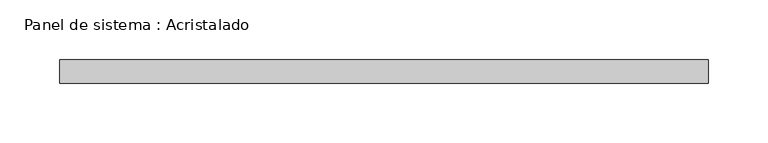
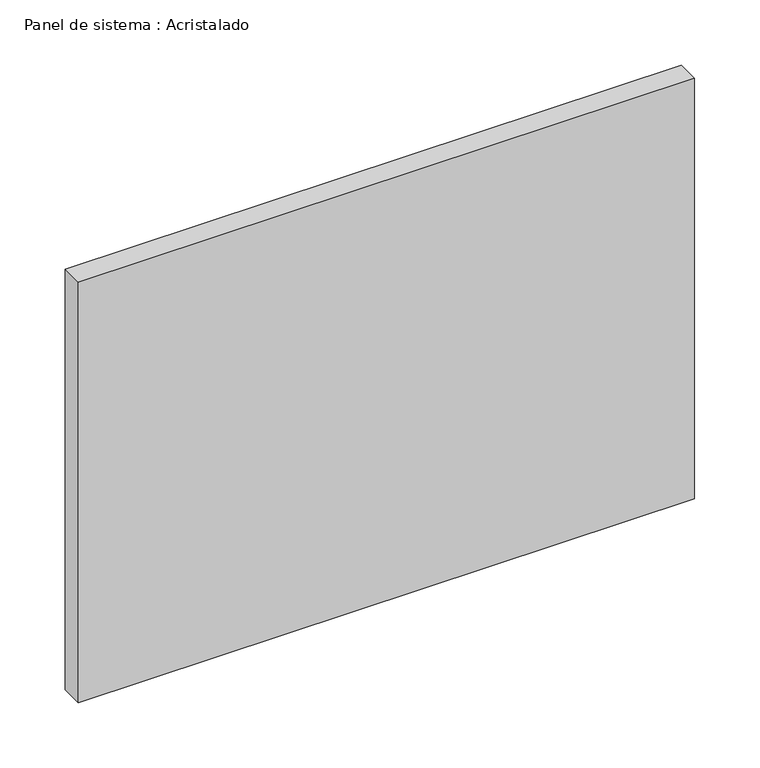
"""IFC4 building model written with IfcOpenShell, lengths in millimetres: plate geometry, Panel de sistema : Acristalado."""

from ifc_helpers import new_model, si_unit, origin, origin_with_axes, place, context, project, spatial, polyline, outline, extrude, source, transform, mapped, element, save


def panel_de_sistema_acristalado_9b00f52c(model_context):
    return source(origin(), model_context, "Body", "SweptSolid", [
        extrude(outline(polyline([(272.5, -10.0), (-272.5, -10.0), (-272.5, 10.0), (272.5, 10.0), (272.5, -10.0)])), origin_with_axes(), (0.0, 0.0, 1.0), 392.7452144),
    ])


if __name__ == "__main__":
    model = new_model("IFC4")
    model_context = context("Model", 3, world=origin())
    ifc_project = project(units=[si_unit("LENGTHUNIT", "METRE", prefix="MILLI")], contexts=[model_context])
    site = spatial("IfcSite", under=ifc_project)
    building = spatial("IfcBuilding", under=site)
    placement = place(None, origin())
    panel_de_sistema_acristalado_shape = panel_de_sistema_acristalado_9b00f52c(model_context)
    element("IfcPlate", 1, ObjectType="Panel de sistema : Acristalado", at=placement, inside=building, context=model_context, shape_type="MappedRepresentation", body=[
        mapped(panel_de_sistema_acristalado_shape, transform((0.0, 0.0, 0.0), x_axis=(1.0, 0.0, 0.0), y_axis=(0.0, 1.0, 0.0), z_axis=(0.0, 0.0, 1.0))),
    ])
    save(model, "model.ifc")
